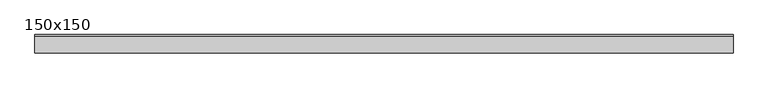
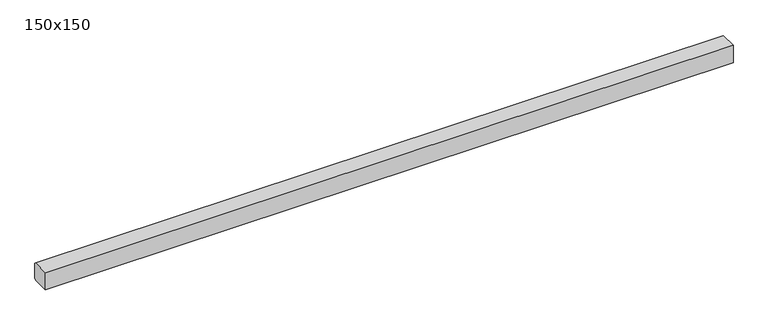
"""IFC4 building model written with IfcOpenShell, lengths in millimetres: beam geometry, 150x150."""

from ifc_helpers import new_model, si_unit, frame, origin, place, context, project, spatial, polyline, outline, extrude, source, transform, mapped, element, save


def beam_150x150_9bb6b01e(model_context):
    return source(origin(), model_context, "Body", "SweptSolid", [
        extrude(outline(polyline([(75.0, 65.144132), (75.0, -65.144132), (65.0, -75.144132), (-75.0, -75.144132), (-75.0, 74.855868), (65.288264, 74.855868), (75.0, 65.144132)])), frame((-208.198461, 0.0, 0.0), z_axis=(1.0, 0.0, 0.0), x_axis=(0.0, 1.0, 0.0)), (0.0, 0.0, 1.0), 5658.2902296),
    ])


if __name__ == "__main__":
    model = new_model("IFC4")
    model_context = context("Model", 3, world=origin())
    ifc_project = project(units=[si_unit("LENGTHUNIT", "METRE", prefix="MILLI")], contexts=[model_context])
    site = spatial("IfcSite", under=ifc_project)
    building = spatial("IfcBuilding", under=site)
    placement = place(None, origin())
    beam_150x150_shape = beam_150x150_9bb6b01e(model_context)
    element("IfcBeam", 1, ObjectType="150x150", at=placement, inside=building, context=model_context, shape_type="MappedRepresentation", body=[
        mapped(beam_150x150_shape, transform((0.0, 0.0, 0.0), x_axis=(1.0, 0.0, 0.0), y_axis=(0.0, 1.0, 0.0), z_axis=(0.0, 0.0, 1.0))),
    ])
    save(model, "model.ifc")
